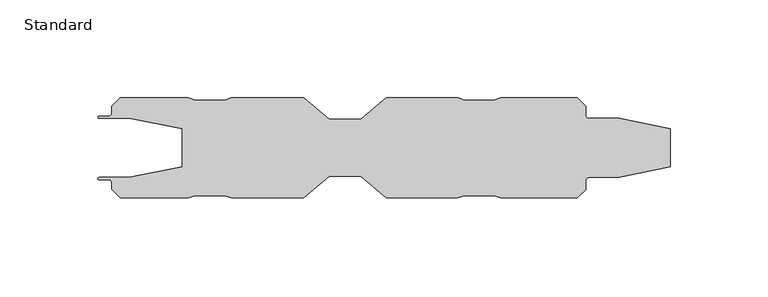
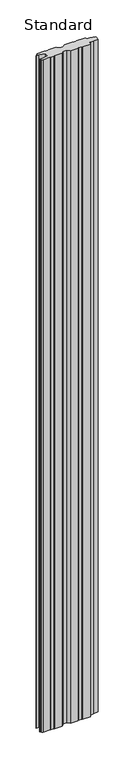
"""IFC4 building model written with IfcOpenShell, lengths in millimetres: plate geometry, Standard."""

from ifc_helpers import new_model, si_unit, point, frame_2d, origin, origin_with_axes, place, context, project, spatial, polyline, circle_curve, trimmed, segment, composite_curve, outline, extrude, source, transform, mapped, element, save


def standard_160a2b3d(model_context):
    return source(origin(), model_context, "Body", "SweptSolid", [
        extrude(outline(composite_curve([segment(polyline([(-108.9373024, 15.0999908), (-124.424988, 15.0999908)]), True, "CONTINUOUS"), segment(trimmed(circle_curve(frame_2d((-124.424988, 15.6750028)), 0.575012), [point((-124.424988, 15.0999908))], [point((-124.424988, 16.2500148))], False, "CARTESIAN"), True, "CONTINUOUS"), segment(polyline([(-124.424988, 16.2500148), (-119.52423, 16.2500148)]), True, "CONTINUOUS"), segment(trimmed(circle_curve(frame_2d((-119.52423, 17.9000146)), 1.6499999), [point((-119.52423, 16.2500148))], [point((-117.8742301, 17.9000146))], True, "CARTESIAN"), True, "CONTINUOUS"), segment(polyline([(-117.8742301, 17.9000146), (-117.8742301, 21.1432805), (-113.5206597, 25.5), (-78.8860242, 25.5), (-75.3673379, 24.3000145), (-60.382149, 24.3000145), (-56.8694456, 25.499989), (-19.8738005, 25.499989), (-6.872205, 14.4999909), (9.1386607, 14.4999909), (22.1075838, 25.499989), (58.6225245, 25.499989), (62.1273024, 24.3000622), (77.1115811, 24.3000622), (80.6226475, 25.499989), (119.6529577, 25.499989), (123.8684151, 21.2478247), (123.8684151, 16.7499909)]), True, "CONTINUOUS"), segment(trimmed(circle_curve(frame_2d((125.5184152, 16.7499909)), 1.6500001), [point((123.8684151, 16.7499909))], [point((125.5184152, 15.0999908))], True, "CARTESIAN"), True, "CONTINUOUS"), segment(polyline([(125.5184152, 15.0999908), (141.0646942, 15.0999908), (167.0290511, 9.6833816), (167.0290511, -9.6816688), (141.0646942, -15.0982776), (125.5184152, -15.0982776)]), True, "CONTINUOUS"), segment(trimmed(circle_curve(frame_2d((125.5184152, -16.7482777)), 1.6500001), [point((125.5184152, -15.0982776))], [point((123.8684151, -16.7482777))], True, "CARTESIAN"), True, "CONTINUOUS"), segment(polyline([(123.8684151, -16.7482777), (123.8684151, -21.2461114), (119.6529577, -25.4982758), (80.6226475, -25.4982758), (77.1115811, -24.2983489), (62.1273024, -24.2983489), (58.6225245, -25.4982758), (22.1075838, -25.4982758), (9.1386607, -14.4982777), (-6.872205, -14.4982777), (-19.8738005, -25.4982758), (-56.8694456, -25.4982758), (-60.382149, -24.2983017), (-75.3673379, -24.2983017), (-78.8860242, -25.4982867), (-113.5206597, -25.4982867), (-117.8742301, -21.1415672), (-117.8742301, -17.899556)]), True, "CONTINUOUS"), segment(trimmed(circle_curve(frame_2d((-119.5242298, -17.8983016)), 1.6500001), [point((-117.8742301, -17.899556))], [point((-119.5242298, -16.2483015))], True, "CARTESIAN"), True, "CONTINUOUS"), segment(polyline([(-119.5242298, -16.2483015), (-124.4445193, -16.2483015)]), True, "CONTINUOUS"), segment(trimmed(circle_curve(frame_2d((-124.4445193, -15.6732895)), 0.575012), [point((-124.4445193, -16.2483015))], [point((-124.4445193, -15.0982776))], False, "CARTESIAN"), True, "CONTINUOUS"), segment(polyline([(-124.4445193, -15.0982776), (-108.9373024, -15.0982776), (-81.8780653, -9.6816688), (-81.8780653, 9.6833816), (-108.9373024, 15.0999908)]), True, "CONTINUOUS")], self_intersect=False)), origin_with_axes(), (0.0, 0.0, 1.0), 3497.7),
    ])


if __name__ == "__main__":
    model = new_model("IFC4")
    model_context = context("Model", 3, world=origin())
    ifc_project = project(units=[si_unit("LENGTHUNIT", "METRE", prefix="MILLI")], contexts=[model_context])
    site = spatial("IfcSite", under=ifc_project)
    building = spatial("IfcBuilding", under=site)
    placement = place(None, origin())
    standard_shape = standard_160a2b3d(model_context)
    element("IfcPlate", 1, ObjectType="Standard", at=placement, inside=building, context=model_context, shape_type="MappedRepresentation", body=[
        mapped(standard_shape, transform((0.0, 0.0, 0.0), x_axis=(1.0, 0.0, 0.0), y_axis=(0.0, 1.0, 0.0), z_axis=(0.0, 0.0, 1.0))),
    ])
    save(model, "model.ifc")
